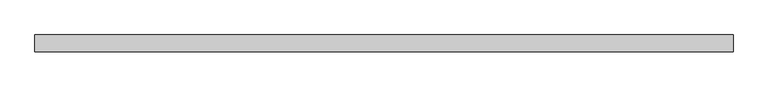
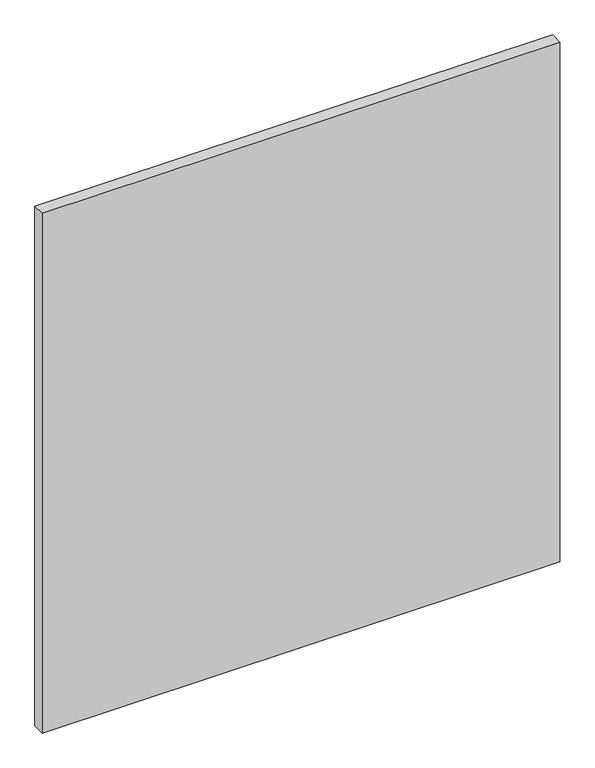
"""IFC4 building model written with IfcOpenShell, lengths in millimetres: plate geometry."""

from ifc_helpers import new_model, si_unit, origin, origin_with_axes, place, context, project, spatial, polyline, outline, extrude, source, transform, mapped, element, save


def plate_040eb573(model_context):
    return source(origin(), model_context, "Body", "SweptSolid", [
        extrude(outline(polyline([(829.8389771, -19.84375), (-829.8389771, -19.84375), (-829.8389771, 19.84375), (829.8389771, 19.84375), (829.8389771, -19.84375)])), origin_with_axes(), (0.0, 0.0, 1.0), 1761.3),
    ])


if __name__ == "__main__":
    model = new_model("IFC4")
    model_context = context("Model", 3, world=origin())
    ifc_project = project(units=[si_unit("LENGTHUNIT", "METRE", prefix="MILLI")], contexts=[model_context])
    site = spatial("IfcSite", under=ifc_project)
    building = spatial("IfcBuilding", under=site)
    placement = place(None, origin())
    plate_shape = plate_040eb573(model_context)
    element("IfcPlate", 1, at=placement, inside=building, context=model_context, shape_type="MappedRepresentation", body=[
        mapped(plate_shape, transform((0.0, 0.0, 0.0), x_axis=(1.0, 0.0, 0.0), y_axis=(0.0, 1.0, 0.0), z_axis=(0.0, 0.0, 1.0))),
    ])
    save(model, "model.ifc")
